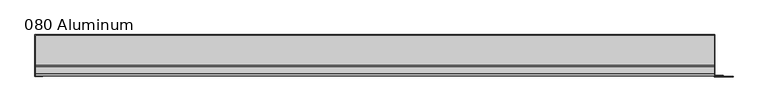
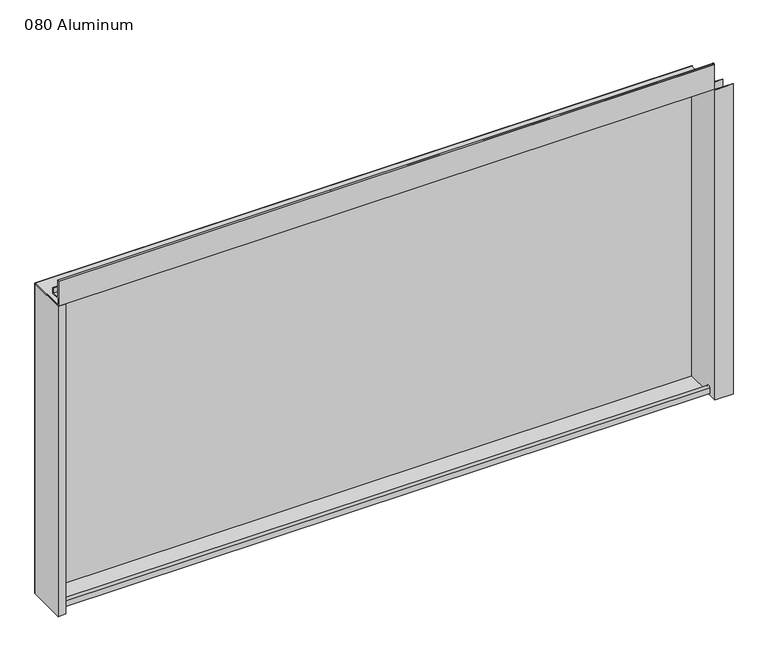
"""IFC4 building model written with IfcOpenShell, lengths in millimetres: plate geometry, 080 Aluminum."""

from ifc_helpers import new_model, si_unit, point, frame, frame_2d, origin, origin_with_axes, place, context, project, spatial, polyline, circle_curve, trimmed, segment, composite_curve, outline, extrude, source, transform, mapped, element, save


def plate_080_aluminum_b746aa6d(model_context):
    return source(origin(), model_context, "Body", "SweptSolid", [
        extrude(outline(polyline([(-614.68, 2.5660257), (-601.7894994, 2.5660257), (-601.7894994, 1.2699999), (-615.9499999, 1.2699999), (-615.9499999, 74.9300001), (-614.68, 74.9300001), (-614.68, 2.5660257)])), origin_with_axes(), (0.0, 0.0, 1.0), 608.33),
        extrude(outline(composite_curve([segment(trimmed(circle_curve(frame_2d((19.8514743, 13.124237)), 3.175), [point((16.6765477, 13.1458337))], [point((23.0264743, 13.124237))], False, "CARTESIAN"), True, "CONTINUOUS"), segment(polyline([(23.0264743, 13.124237), (23.0264743, 1.2693678), (74.9300002, 1.2693678), (74.9300002, 0.0), (21.7564743, 0.0), (21.7564743, 13.124237)]), True, "CONTINUOUS"), segment(trimmed(circle_curve(frame_2d((19.8514743, 13.124237)), 1.905), [point((21.7564743, 13.124237))], [point((17.9464915, 13.1323356))], True, "CARTESIAN"), True, "CONTINUOUS"), segment(polyline([(17.9464915, 13.1323356), (17.9464915, 2.786437), (16.6765477, 2.786437), (16.6765477, 13.1458337)]), True, "CONTINUOUS")], self_intersect=False)), frame((-614.68, 0.0, 0.0), z_axis=(1.0, 0.0, 0.0), x_axis=(0.0, 1.0, 0.0)), (0.0, 0.0, 1.0), 1216.66),
        extrude(outline(composite_curve([segment(trimmed(circle_curve(frame_2d((3.7084742, 656.7932001)), 1.6509999), [point((2.0574743, 656.7932001))], [point((5.3594742, 656.7932001))], False, "CARTESIAN"), True, "CONTINUOUS"), segment(polyline([(5.3594742, 656.7932001), (5.3594742, 623.57), (19.2164743, 623.57), (19.2164743, 633.6538), (20.4864742, 633.6538), (20.4864742, 622.3), (4.0894742, 622.3), (4.0894742, 656.7932001)]), True, "CONTINUOUS"), segment(trimmed(circle_curve(frame_2d((3.7084742, 656.7932001)), 0.3809999), [point((4.0894742, 656.7932001))], [point((3.3274743, 656.7932001))], True, "CARTESIAN"), True, "CONTINUOUS"), segment(polyline([(3.3274743, 656.7932001), (3.3274743, 609.6000001), (74.9300002, 609.6000001), (74.9300002, 608.33), (2.0574743, 608.33), (2.0574743, 656.7932001)]), True, "CONTINUOUS")], self_intersect=False)), frame((-614.68, 0.0, 0.0), z_axis=(1.0, 0.0, 0.0), x_axis=(0.0, 1.0, 0.0)), (0.0, 0.0, 1.0), 1216.66),
        extrude(outline(polyline([(-615.95, 76.2), (603.25, 76.2), (603.25, 74.9300001), (-615.95, 74.9300001), (-615.95, 76.2)])), origin_with_axes(), (0.0, 0.0, 1.0), 609.6),
        extrude(outline(polyline([(603.25, 1.2699999), (635.7620856, 1.2699999), (635.7620856, 0.0), (601.9800001, 0.0), (601.9800001, 74.9300002), (603.25, 74.9300002), (603.25, 1.2699999)])), origin_with_axes(), (0.0, 0.0, 1.0), 608.33),
        extrude(outline(polyline([(601.98, 3.3274743), (617.7279999, 3.3274743), (617.7279999, 2.0574743), (601.98, 2.0574743), (601.98, 3.3274743)])), origin_with_axes(), (0.0, 0.0, 1.0), 622.3),
    ])


if __name__ == "__main__":
    model = new_model("IFC4")
    model_context = context("Model", 3, world=origin())
    ifc_project = project(units=[si_unit("LENGTHUNIT", "METRE", prefix="MILLI")], contexts=[model_context])
    site = spatial("IfcSite", under=ifc_project)
    building = spatial("IfcBuilding", under=site)
    placement = place(None, origin())
    plate_080_aluminum_shape = plate_080_aluminum_b746aa6d(model_context)
    element("IfcPlate", 1, ObjectType="080 Aluminum", at=placement, inside=building, context=model_context, shape_type="MappedRepresentation", body=[
        mapped(plate_080_aluminum_shape, transform((0.0, 0.0, 0.0), x_axis=(1.0, 0.0, 0.0), y_axis=(0.0, 1.0, 0.0), z_axis=(0.0, 0.0, 1.0))),
    ])
    save(model, "model.ifc")
